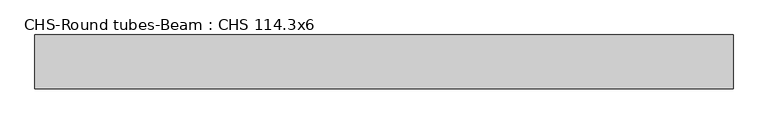
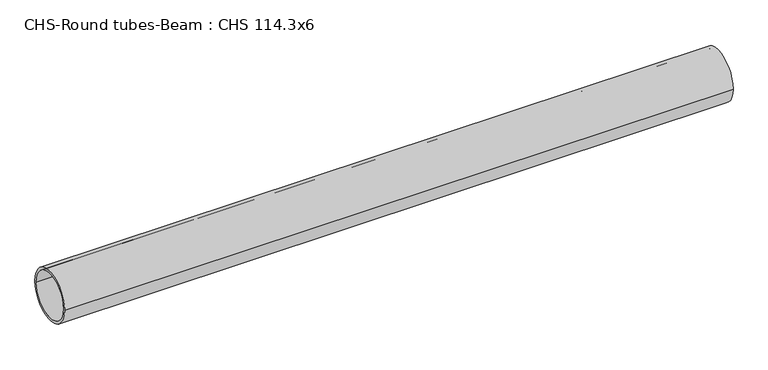
"""IFC4 building model written with IfcOpenShell, lengths in millimetres: beam geometry, CHS-Round tubes-Beam : CHS 114.3x6."""

import ifcopenshell
import ifcopenshell.guid

model = None  # the IFC model being written
_history = None  # IfcOwnerHistory: only IFC2X3 demands one
_inside = {}  # id of a spatial element -> (the spatial element, [elements in it])
_under = {}  # id of a project, library or spatial element -> (it, [spatial elements below it])
_declared = {}  # id of a project -> (the project, [libraries it declares])
_typed = {}  # id of a type object -> (the type object, [elements of that type])
_made_of = {}  # id of a material, layer set ... -> (it, [elements and type objects made of it])


def new_model(schema):
    """Start an empty IFC model of exactly this schema.

    Asked for "IFC4X3", IfcOpenShell would pick the latest addendum, in which some entities
    have other attributes; the version numbers below select the first issue.
    IFC2X3 requires an IfcOwnerHistory on every rooted entity: one is made here for all.
    """
    global model, _history
    if schema == "IFC4X3":
        model = ifcopenshell.file(schema_version=(4, 3, 0, 0))
    else:
        model = ifcopenshell.file(schema=schema)
    _inside.clear()
    _under.clear()
    _declared.clear()
    _typed.clear()
    _made_of.clear()
    _history = None
    if model.schema == "IFC2X3":
        org = make("IfcOrganization", Name="unknown")
        user = make(
            "IfcPersonAndOrganization",
            ThePerson=make("IfcPerson", FamilyName="unknown"),
            TheOrganization=org,
        )
        app = make(
            "IfcApplication",
            ApplicationDeveloper=org,
            Version="unknown",
            ApplicationFullName="unknown",
            ApplicationIdentifier="unknown",
        )
        _history = make(
            "IfcOwnerHistory",
            OwningUser=user,
            OwningApplication=app,
            ChangeAction="ADDED",
            CreationDate=0,
        )
    return model


def make(cls, **values):
    """One entity of the class cls with the attributes given. An attribute that is None is left unset."""
    return model.create_entity(
        cls, **{name: value for name, value in values.items() if value is not None}
    )


def rooted(cls, **values):
    """An entity with a GlobalId (a new one), such as an element, a storey or a relation."""
    return make(cls, GlobalId=ifcopenshell.guid.new(), OwnerHistory=_history, **values)


def si_unit(unit_type, name, prefix=None):
    """IfcSIUnit, for example si_unit("LENGTHUNIT", "METRE", prefix="MILLI")."""
    return make("IfcSIUnit", UnitType=unit_type, Prefix=prefix, Name=name)


def assignment(units):
    """IfcUnitAssignment: the units of a project."""
    return None if units is None else make("IfcUnitAssignment", Units=units)


def point(xyz):
    """IfcCartesianPoint."""
    return None if xyz is None else make("IfcCartesianPoint", Coordinates=xyz)


def direction(xyz):
    """IfcDirection."""
    return None if xyz is None else make("IfcDirection", DirectionRatios=xyz)


def frame(location, z_axis=None, x_axis=None):
    """IfcAxis2Placement3D, a coordinate frame: its origin and axes. An axis left out is left unset."""
    return make(
        "IfcAxis2Placement3D",
        Location=point(location),
        Axis=direction(z_axis),
        RefDirection=direction(x_axis),
    )


def frame_2d(location, x_axis=None):
    """IfcAxis2Placement2D, a coordinate frame in the plane: its origin and x axis."""
    return make(
        "IfcAxis2Placement2D", Location=point(location), RefDirection=direction(x_axis)
    )


def origin():
    """The frame at (0, 0, 0) with its axes left unset."""
    return frame((0.0, 0.0, 0.0))


def origin_2d():
    """The frame at (0, 0) in the plane with its x axis left unset."""
    return frame_2d((0.0, 0.0))


def place(relative_to, where):
    """IfcLocalPlacement: puts the frame where relative to a parent placement (None: the world)."""
    return make(
        "IfcLocalPlacement", PlacementRelTo=relative_to, RelativePlacement=where
    )


def context(
    kind, dimensions, precision=None, world=None, true_north=None, identifier=None
):
    """IfcGeometricRepresentationContext, for example the 3D "Model" context."""
    return make(
        "IfcGeometricRepresentationContext",
        ContextIdentifier=identifier,
        ContextType=kind,
        CoordinateSpaceDimension=dimensions,
        Precision=precision,
        WorldCoordinateSystem=world,
        TrueNorth=true_north,
    )


def project(units=None, contexts=None):
    """IfcProject with its units and contexts."""
    return rooted(
        "IfcProject",
        Name="project",
        RepresentationContexts=contexts,
        UnitsInContext=assignment(units),
    )


def spatial(cls, under=None, at=None, **own):
    """A site, building, storey or space (cls), placed at a placement, below another one or the project."""
    s = rooted(cls, ObjectPlacement=at, **own)
    if under is not None:
        _under.setdefault(under.id(), (under, []))[1].append(s)
    return s


def circle_curve(where, radius):
    """IfcCircle in the frame where."""
    return make("IfcCircle", Position=where, Radius=radius)


def trimmed(basis, trim1, trim2, sense, master):
    """IfcTrimmedCurve: the piece of a basis curve between two trims."""
    return make(
        "IfcTrimmedCurve",
        BasisCurve=basis,
        Trim1=trim1,
        Trim2=trim2,
        SenseAgreement=sense,
        MasterRepresentation=master,
    )


def segment(curve, same_sense, transition):
    """IfcCompositeCurveSegment."""
    return make(
        "IfcCompositeCurveSegment",
        Transition=transition,
        SameSense=same_sense,
        ParentCurve=curve,
    )


def composite_curve(segments, self_intersect=None):
    """IfcCompositeCurve: segments joined end to end."""
    return make("IfcCompositeCurve", Segments=segments, SelfIntersect=self_intersect)


def outline(outer, holes=None, kind="AREA"):
    """IfcArbitraryClosedProfileDef: a profile drawn as a closed curve; with holes, ...WithVoids."""
    if holes is None:
        return make("IfcArbitraryClosedProfileDef", ProfileType=kind, OuterCurve=outer)
    return make(
        "IfcArbitraryProfileDefWithVoids",
        ProfileType=kind,
        OuterCurve=outer,
        InnerCurves=holes,
    )


def extrude(swept, where, along, depth):
    """IfcExtrudedAreaSolid: the profile swept, set in the frame where, extruded along a direction by depth."""
    return make(
        "IfcExtrudedAreaSolid",
        SweptArea=swept,
        Position=where,
        ExtrudedDirection=direction(along),
        Depth=depth,
    )


def shape(context_of_items, identifier, shape_type, items):
    """IfcShapeRepresentation: the items that make up one representation, for example the "Body"."""
    return make(
        "IfcShapeRepresentation",
        ContextOfItems=context_of_items,
        RepresentationIdentifier=identifier,
        RepresentationType=shape_type,
        Items=items,
    )


def source(mapping_origin, context_of_items, identifier, shape_type, items):
    """IfcRepresentationMap: a shape defined once, which mapped items show again and again."""
    return make(
        "IfcRepresentationMap",
        MappingOrigin=mapping_origin,
        MappedRepresentation=shape(context_of_items, identifier, shape_type, items),
    )


def transform(
    local_origin,
    x_axis=None,
    y_axis=None,
    z_axis=None,
    scale=None,
    scale2=None,
    scale3=None,
    uniform=True,
):
    """IfcCartesianTransformationOperator3D, or its non-uniform kind. x_axis, y_axis, z_axis: its Axis1, 2, 3."""
    if uniform:
        return make(
            "IfcCartesianTransformationOperator3D",
            Axis1=direction(x_axis),
            Axis2=direction(y_axis),
            LocalOrigin=point(local_origin),
            Scale=scale,
            Axis3=direction(z_axis),
        )
    return make(
        "IfcCartesianTransformationOperator3DnonUniform",
        Axis1=direction(x_axis),
        Axis2=direction(y_axis),
        LocalOrigin=point(local_origin),
        Scale=scale,
        Axis3=direction(z_axis),
        Scale2=scale2,
        Scale3=scale3,
    )


def mapped(mapping_source, mapping_target):
    """IfcMappedItem: shows the shape of a source again, moved by a transform."""
    return make(
        "IfcMappedItem", MappingSource=mapping_source, MappingTarget=mapping_target
    )


def made_of(thing, what):
    """Note that an element or type object is made of a material, layer set ...; save() writes the relation."""
    if what is not None:
        _made_of.setdefault(what.id(), (what, []))[1].append(thing)
    return thing


def element(
    cls,
    number,
    at=None,
    inside=None,
    cuts=None,
    type_object=None,
    material=None,
    context=None,
    identifier="Body",
    shape_type=None,
    held_by="IfcProductDefinitionShape",
    body=None,
    shapes=None,
    **own,
):
    """One element of the class cls, such as IfcWall. Its Tag is "e" and its number.

    at: its placement. inside: the storey or other place that contains it. cuts: it is an
    opening in that element (IfcRelVoidsElement). A single representation is given by context,
    identifier, shape_type and body (its items); several are given by shapes. held_by: the class
    of the entity that holds the representations. save() writes the other relations.
    """
    e = rooted(cls, Tag="e%d" % number, ObjectPlacement=at, **own)
    if body is not None:
        shapes = [shape(context, identifier, shape_type, body)]
    if shapes is not None:
        e.Representation = make(held_by, Representations=shapes)
    if inside is not None:
        _inside.setdefault(inside.id(), (inside, []))[1].append(e)
    if cuts is not None:
        rooted(
            "IfcRelVoidsElement", RelatingBuildingElement=cuts, RelatedOpeningElement=e
        )
    if type_object is not None:
        _typed.setdefault(type_object.id(), (type_object, []))[1].append(e)
    return made_of(e, material)


def aggregate(whole, parts):
    """IfcRelAggregates: a whole, such as a stair, and the parts it consists of."""
    return rooted("IfcRelAggregates", RelatingObject=whole, RelatedObjects=parts)


def save(model, path):
    """Write the relations noted so far, then the file.

    IfcRelAggregates (storeys below a building ...), IfcRelContainedInSpatialStructure (elements
    in a storey), IfcRelDefinesByType, IfcRelAssociatesMaterial and IfcRelDeclares: one each for
    every whole, place, type object, material and project.
    """
    for whole, parts in _under.values():
        aggregate(whole, parts)
    for where, things in _inside.values():
        rooted(
            "IfcRelContainedInSpatialStructure",
            RelatedElements=things,
            RelatingStructure=where,
        )
    for kind, things in _typed.values():
        rooted("IfcRelDefinesByType", RelatedObjects=things, RelatingType=kind)
    for what, things in _made_of.values():
        rooted("IfcRelAssociatesMaterial", RelatedObjects=things, RelatingMaterial=what)
    for by, libraries in _declared.values():
        rooted("IfcRelDeclares", RelatingContext=by, RelatedDefinitions=libraries)
    model.write(path)


def chs_round_tubes_beam_chs_114_3x6_e3943b3d(model_context):
    return source(origin(), model_context, "Body", "SweptSolid", [
        extrude(outline(composite_curve([segment(trimmed(circle_curve(origin_2d(), 57.15), [point((57.15, 0.0))], [point((-57.15, 0.0))], False, "CARTESIAN"), True, "CONTINUOUS"), segment(trimmed(circle_curve(origin_2d(), 57.15), [point((-57.15, 0.0))], [point((57.15, 0.0))], False, "CARTESIAN"), True, "CONTINUOUS")], self_intersect=False), holes=[composite_curve([segment(trimmed(circle_curve(origin_2d(), 51.15), [point((51.15, 0.0))], [point((-51.15, 0.0))], True, "CARTESIAN"), True, "CONTINUOUS"), segment(trimmed(circle_curve(origin_2d(), 51.15), [point((-51.15, 0.0))], [point((51.15, 0.0))], True, "CARTESIAN"), True, "CONTINUOUS")], self_intersect=False)]), frame((-756.4489525, 0.0, 0.0), z_axis=(1.0, 0.0, 0.0), x_axis=(0.0, 1.0, 0.0)), (0.0, 0.0, 1.0), 1477.1921027),
    ])


if __name__ == "__main__":
    model = new_model("IFC4")
    model_context = context("Model", 3, world=origin())
    ifc_project = project(units=[si_unit("LENGTHUNIT", "METRE", prefix="MILLI")], contexts=[model_context])
    site = spatial("IfcSite", under=ifc_project)
    building = spatial("IfcBuilding", under=site)
    placement = place(None, origin())
    chs_round_tubes_beam_chs_114_3x6_shape = chs_round_tubes_beam_chs_114_3x6_e3943b3d(model_context)
    element("IfcBeam", 1, ObjectType="CHS-Round tubes-Beam : CHS 114.3x6", at=placement, inside=building, context=model_context, shape_type="MappedRepresentation", body=[
        mapped(chs_round_tubes_beam_chs_114_3x6_shape, transform((0.0, 0.0, 0.0), x_axis=(1.0, 0.0, 0.0), y_axis=(0.0, 1.0, 0.0), z_axis=(0.0, 0.0, 1.0))),
    ])
    save(model, "model.ifc")
